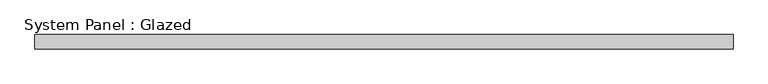
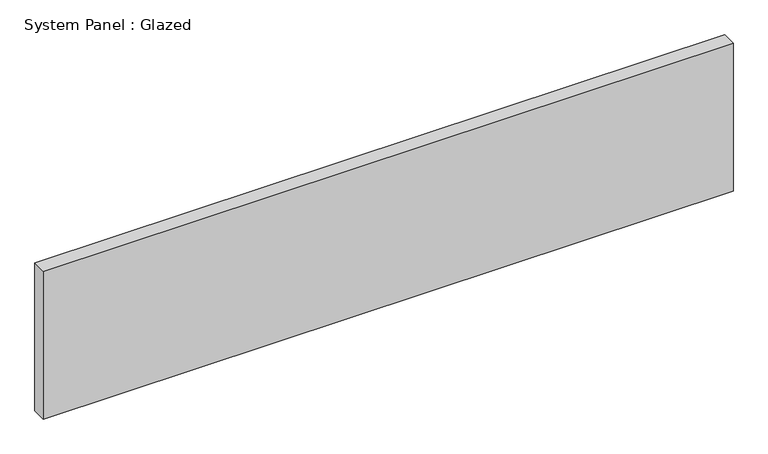
"""IFC4 building model written with IfcOpenShell, lengths in millimetres: plate geometry, System Panel : Glazed."""

from ifc_helpers import new_model, si_unit, origin, origin_with_axes, place, context, project, spatial, polyline, outline, extrude, source, transform, mapped, element, save


def system_panel_glazed_f1c1d70a(model_context):
    return source(origin(), model_context, "Body", "SweptSolid", [
        extrude(outline(polyline([(615.95, 19.05), (-615.95, 19.05), (-615.95, 44.45), (615.95, 44.45), (615.95, 19.05)])), origin_with_axes(), (0.0, 0.0, 1.0), 279.4),
    ])


if __name__ == "__main__":
    model = new_model("IFC4")
    model_context = context("Model", 3, world=origin())
    ifc_project = project(units=[si_unit("LENGTHUNIT", "METRE", prefix="MILLI")], contexts=[model_context])
    site = spatial("IfcSite", under=ifc_project)
    building = spatial("IfcBuilding", under=site)
    placement = place(None, origin())
    system_panel_glazed_shape = system_panel_glazed_f1c1d70a(model_context)
    element("IfcPlate", 1, ObjectType="System Panel : Glazed", at=placement, inside=building, context=model_context, shape_type="MappedRepresentation", body=[
        mapped(system_panel_glazed_shape, transform((0.0, 0.0, 0.0), x_axis=(1.0, 0.0, 0.0), y_axis=(0.0, 1.0, 0.0), z_axis=(0.0, 0.0, 1.0))),
    ])
    save(model, "model.ifc")
